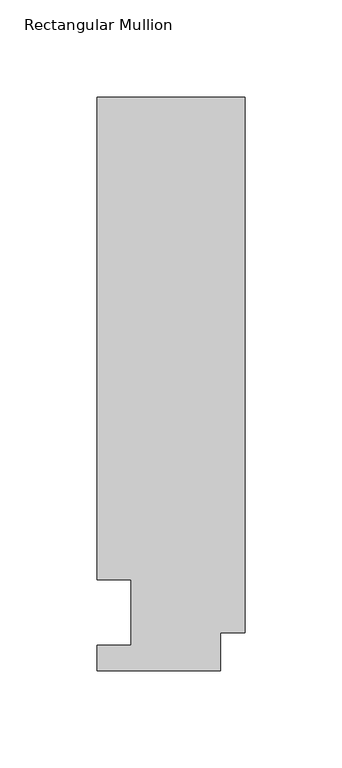
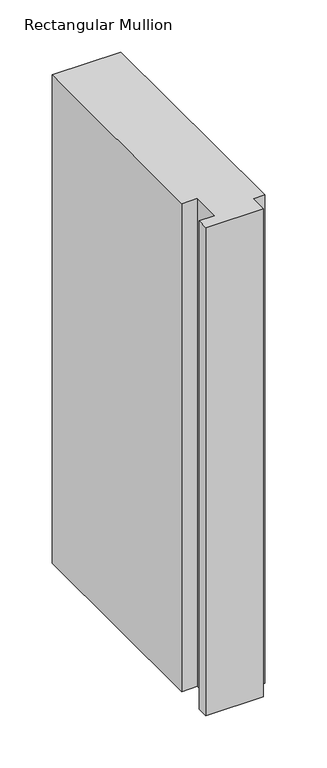
"""IFC4 building model written with IfcOpenShell, lengths in millimetres: member geometry, Rectangular Mullion."""

from ifc_helpers import new_model, si_unit, frame, origin, place, context, project, spatial, polyline, outline, extrude, source, transform, mapped, element, save


def rectangular_mullion_50df7099(model_context):
    return source(origin(), model_context, "Body", "SweptSolid", [
        extrude(outline(polyline([(-76.2, 13.224358), (-58.7375002, 13.224358), (-58.7375002, 46.7447302), (-76.2000001, 46.7447302), (-76.2000001, 295.1821313), (0.0, 295.1821313), (0.0, 19.5667313), (-12.7, 19.5667313), (-12.7, 0.041758), (-76.2, 0.041758), (-76.2, 13.224358)])), frame((0.0, 0.0, -571.8194233), z_axis=(0.0, 0.0, 1.0), x_axis=(1.0, 0.0, 0.0)), (0.0, 0.0, 1.0), 571.8194233),
    ])


if __name__ == "__main__":
    model = new_model("IFC4")
    model_context = context("Model", 3, world=origin())
    ifc_project = project(units=[si_unit("LENGTHUNIT", "METRE", prefix="MILLI")], contexts=[model_context])
    site = spatial("IfcSite", under=ifc_project)
    building = spatial("IfcBuilding", under=site)
    placement = place(None, origin())
    rectangular_mullion_shape = rectangular_mullion_50df7099(model_context)
    element("IfcMember", 1, ObjectType="Rectangular Mullion", at=placement, inside=building, context=model_context, shape_type="MappedRepresentation", body=[
        mapped(rectangular_mullion_shape, transform((0.0, 0.0, 0.0), x_axis=(1.0, 0.0, 0.0), y_axis=(0.0, 1.0, 0.0), z_axis=(0.0, 0.0, 1.0))),
    ])
    save(model, "model.ifc")
